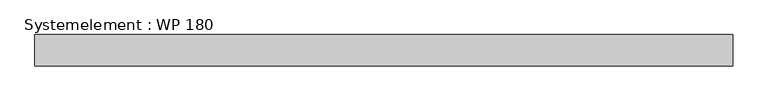
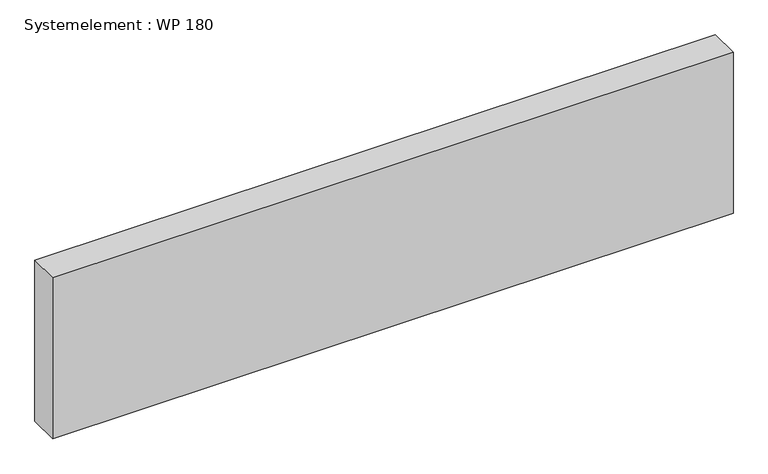
"""IFC4 building model written with IfcOpenShell, lengths in millimetres: plate geometry, Systemelement : WP 180."""

from ifc_helpers import new_model, si_unit, origin, origin_with_axes, place, context, project, spatial, polyline, outline, extrude, source, transform, mapped, element, save


def systemelement_wp_180_fba6fd4e(model_context):
    return source(origin(), model_context, "Body", "SweptSolid", [
        extrude(outline(polyline([(2000.0, -180.0), (-2000.0, -180.0), (-2000.0, 0.0), (2000.0, 0.0), (2000.0, -180.0)])), origin_with_axes(), (0.0, 0.0, 1.0), 1000.0),
    ])


if __name__ == "__main__":
    model = new_model("IFC4")
    model_context = context("Model", 3, world=origin())
    ifc_project = project(units=[si_unit("LENGTHUNIT", "METRE", prefix="MILLI")], contexts=[model_context])
    site = spatial("IfcSite", under=ifc_project)
    building = spatial("IfcBuilding", under=site)
    placement = place(None, origin())
    systemelement_wp_180_shape = systemelement_wp_180_fba6fd4e(model_context)
    element("IfcPlate", 1, ObjectType="Systemelement : WP 180", at=placement, inside=building, context=model_context, shape_type="MappedRepresentation", body=[
        mapped(systemelement_wp_180_shape, transform((0.0, 0.0, 0.0), x_axis=(1.0, 0.0, 0.0), y_axis=(0.0, 1.0, 0.0), z_axis=(0.0, 0.0, 1.0))),
    ])
    save(model, "model.ifc")
